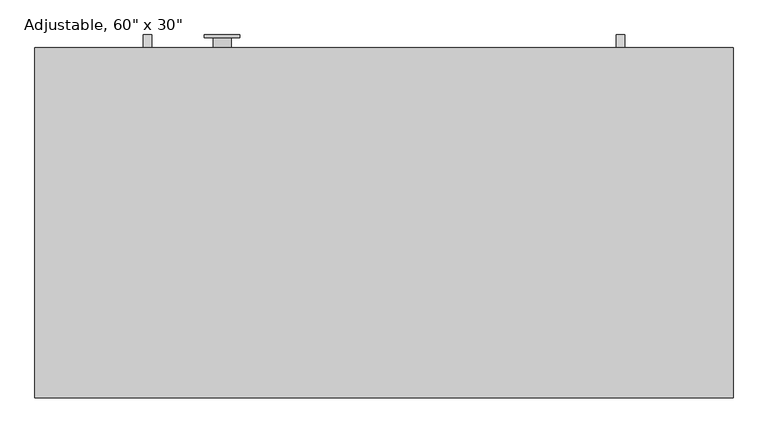
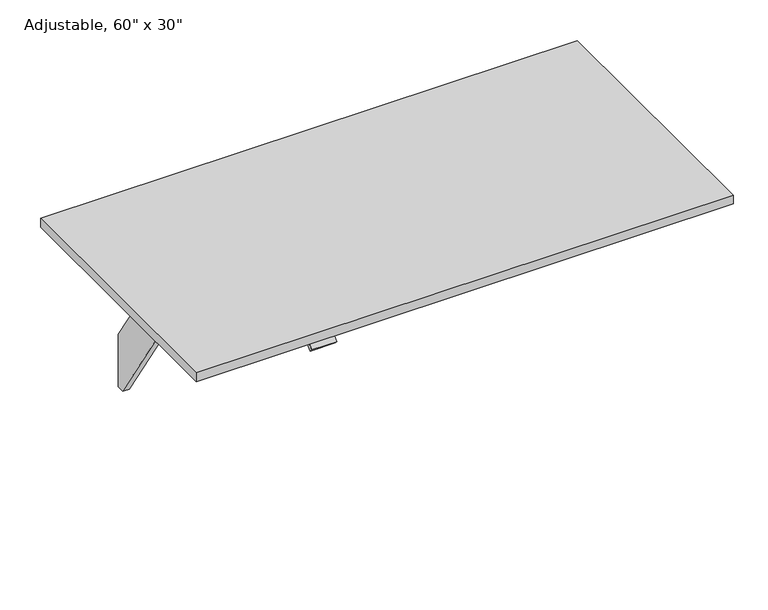
"""IFC4 building model written with IfcOpenShell, lengths in millimetres: furniture geometry."""

from ifc_helpers import new_model, si_unit, point, frame, frame_2d, origin, place, context, project, spatial, polyline, circle_curve, trimmed, segment, composite_curve, outline, extrude, source, transform, mapped, element, save
from ifc_brep_helpers import plane_surface, cylinder_surface, revolved_surface, advanced_brep


def furniture_abd386d2(model_context):
    return source(origin(), model_context, "Body", "SolidModel", [
        extrude(outline(polyline([(29.2199219, 153.5921541), (8.6276198, 153.5921541), (-345.3046137, 698.6), (-477.3090911, 698.6), (-485.7513898, 711.6), (-85.1019822, 711.6), (-93.5442809, 698.6), (-226.0682844, 698.6), (29.2199219, 305.4906355), (29.2199219, 153.5921541)])), frame((369.1244025, 0.0, 0.0), z_axis=(1.0, 0.0, 0.0), x_axis=(0.0, 1.0, 0.0)), (0.0, 0.0, 1.0), 18.0),
        extrude(outline(composite_curve([segment(polyline([(-733.1055966, 691.708916), (-717.7537239, 704.5906666)]), True, "CONTINUOUS"), segment(trimmed(circle_curve(frame_2d((-708.1119098, 693.1)), 15.0), [point((-717.7537239, 704.5906666))], [point((-708.1119098, 708.1))], False, "CARTESIAN"), True, "CONTINUOUS"), segment(polyline([(-708.1119098, 708.1), (-703.2331661, 708.1), (-703.2331661, 711.6), (-664.784231, 711.6), (-664.784231, 708.1), (-659.001686, 708.1), (-659.001686, 697.1), (-707.7479396, 697.1)]), True, "CONTINUOUS"), segment(trimmed(circle_curve(frame_2d((-707.7479396, 692.1)), 5.0), [point((-707.7479396, 697.1))], [point((-710.9618776, 695.9302222))], True, "CARTESIAN"), True, "CONTINUOUS"), segment(polyline([(-710.9618776, 695.9302222), (-726.0349329, 683.2824271), (-733.1055966, 691.708916)]), True, "CONTINUOUS")], self_intersect=False)), frame((-535.6329775, 0.0, 0.0), z_axis=(1.0, 0.0, 0.0), x_axis=(0.0, 1.0, 0.0)), (0.0, 0.0, 1.0), 68.58),
        advanced_brep(
        [(-439.7356275, -171.1428681, 364.5778173), (-439.7356275, -171.1428681, 711.6), (-439.7356275, -209.1312877, 711.6), (-439.7356275, -209.1312877, 700.4375), (-439.7356275, -193.3960503, 691.3527565), (-439.7356275, -190.4851047, 691.3527565), (-439.7356275, -190.4851047, 365.4712483), (-439.7356275, 18.612113, 365.4712483), (-439.7356275, 18.612113, 565.4962483), (-439.7356275, 23.285119, 565.4962483), (-439.7356275, 23.285119, 663.0278173), (-439.7356275, -0.6170974, 663.0278173), (-439.7356275, -0.6170974, 364.5778173), (-477.9356275, -171.1428681, 364.5778173), (-477.9356275, -0.6170974, 364.5778173), (-477.9356275, -0.6170974, 663.0278173), (-477.9356275, 23.285119, 663.0278173), (-477.9356275, 23.285119, 565.4962483), (-477.9356275, 18.612113, 565.4962483), (-477.9356275, 18.612113, 365.4712483), (-477.9356275, -190.4851047, 365.4712483), (-477.9356275, -190.4851047, 691.3527565), (-477.9356275, -193.3960503, 691.3527565), (-477.9356275, -209.1312877, 700.4375), (-477.9356275, -209.1312877, 711.6), (-477.9356275, -171.1428681, 711.6), (-496.4935537, 23.285119, 565.4962483), (-496.4935537, 29.2199219, 565.4962483), (-421.3564013, 29.2199219, 565.4962483), (-421.3564013, 23.285119, 565.4962483), (-496.4935537, 29.2199219, 678.865527), (-421.3564013, 29.2199219, 678.865527), (-496.4935537, 23.285119, 678.865527), (-421.3564013, 23.285119, 678.865527)],
        [
            (0, 1),
            (1, 2),
            (2, 3),
            (3, 4),
            (4, 5),
            (5, 6),
            (6, 7, circle_curve(frame((-439.7356275, -85.9364959, 365.4712483), z_axis=(1.0, 0.0, 0.0), x_axis=(0.0, 0.0, 1.0)), 104.5486088)),
            (7, 8),
            (8, 9),
            (9, 10),
            (10, 11),
            (11, 12),
            (12, 0, circle_curve(frame((-439.7356275, -85.8799828, 364.5778173), z_axis=(-1.0, 0.0, 0.0), x_axis=(0.0, 0.0, 1.0)), 85.2628854)),
            (13, 14, circle_curve(frame((-477.9356275, -85.8799828, 364.5778173), z_axis=(1.0, 0.0, 0.0), x_axis=(0.0, 0.0, 1.0)), 85.2628854)),
            (14, 15),
            (15, 16),
            (16, 17),
            (17, 18),
            (18, 19),
            (19, 20, circle_curve(frame((-477.9356275, -85.9364959, 365.4712483), z_axis=(-1.0, 0.0, 0.0), x_axis=(0.0, 0.0, 1.0)), 104.5486088)),
            (20, 21),
            (21, 22),
            (22, 23),
            (23, 24),
            (24, 25),
            (25, 13),
            (0, 13),
            (25, 1),
            (24, 2),
            (23, 3),
            (22, 4),
            (21, 5),
            (20, 6),
            (19, 7),
            (18, 8),
            (17, 26),
            (26, 27),
            (27, 28),
            (28, 29),
            (29, 9),
            (27, 30),
            (30, 31),
            (31, 28),
            (30, 32),
            (32, 33),
            (33, 31),
            (32, 26),
            (16, 10),
            (29, 33),
            (15, 11),
            (14, 12),
        ],
        [
            plane_surface(frame((-439.7356275, 29.2199219, 736.6), z_axis=(1.0, 0.0, 0.0), x_axis=(0.0, 1.0, 0.0))),
            plane_surface(frame((-477.9356275, 29.2199219, 736.6), z_axis=(-1.0, 0.0, 0.0), x_axis=(0.0, 1.0, 0.0))),
            plane_surface(frame((-439.7356275, -171.1428681, 364.5778173), z_axis=(0.0, 1.0, 0.0), x_axis=(-1.0, 0.0, 0.0))),
            plane_surface(frame((-439.7356275, -171.1428681, 711.6), z_axis=(0.0, 0.0, 1.0), x_axis=(-1.0, 0.0, 0.0))),
            plane_surface(frame((-439.7356275, -209.1312877, 711.6), z_axis=(0.0, -1.0, 0.0), x_axis=(-1.0, 0.0, 0.0))),
            plane_surface(frame((-439.7356275, -209.1312877, 700.4375), z_axis=(0.0, -0.4999999999999938, -0.8660254037844423), x_axis=(-1.0, 0.0, 0.0))),
            plane_surface(frame((-439.7356275, -193.3960503, 691.3527565), z_axis=(0.0, 0.0, -1.0), x_axis=(-1.0, 0.0, 0.0))),
            plane_surface(frame((-439.7356275, -190.4851047, 691.3527565), z_axis=(0.0, -1.0, 0.0), x_axis=(-1.0, 0.0, 0.0))),
            cylinder_surface(frame((-439.7356275, -85.9364959, 365.4712483), z_axis=(1.0, 0.0, 0.0), x_axis=(0.0, 0.0, 1.0)), 104.5486088),
            plane_surface(frame((-439.7356275, 18.612113, 365.4712483), z_axis=(0.0, 1.0, 0.0), x_axis=(-1.0, 0.0, 0.0))),
            plane_surface(frame((-439.7356275, 18.612113, 565.4962483), z_axis=(0.0, 0.0, -1.0), x_axis=(-1.0, 0.0, 0.0))),
            plane_surface(frame((-439.7356275, 29.2199219, 565.4962483), z_axis=(0.0, 1.0, 0.0), x_axis=(-1.0, 0.0, 0.0))),
            plane_surface(frame((-439.7356275, 29.2199219, 678.865527), z_axis=(0.0, 0.0, 1.0), x_axis=(-1.0, 0.0, 0.0))),
            plane_surface(frame((-439.7356275, 23.285119, 678.865527), z_axis=(0.0, -1.0, 0.0), x_axis=(-1.0, 0.0, 0.0))),
            plane_surface(frame((-439.7356275, 23.285119, 663.0278173), z_axis=(0.0, 0.0, 1.0), x_axis=(-1.0, 0.0, 0.0))),
            plane_surface(frame((-439.7356275, -0.6170974, 663.0278173), z_axis=(0.0, -1.0, 0.0), x_axis=(-1.0, 0.0, 0.0))),
            revolved_surface(polyline([(-477.9356275, -85.8799828, 449.8407027), (-439.7356275, -85.8799828, 449.8407027)]), (-439.7356275, -85.8799828, 364.5778173), (-1.0, 0.0, 0.0)),
            plane_surface(frame((-496.4935537, 29.2199219, 565.4962483), z_axis=(-1.0, 0.0, 0.0), x_axis=(0.0, -1.0, 0.0))),
            plane_surface(frame((-421.3564013, 29.2199219, 678.865527), z_axis=(1.0, 0.0, 0.0), x_axis=(0.0, -1.0, 0.0))),
        ],
        [
            (0, [[1, 2, 3, 4, 5, 6, 7, 8, 9, 10, 11, 12, 13]]),
            (1, [[14, 15, 16, 17, 18, 19, 20, 21, 22, 23, 24, 25, 26]]),
            (2, [[-1, 27, -26, 28]]),
            (3, [[-2, -28, -25, 29]]),
            (4, [[-3, -29, -24, 30]]),
            (5, [[-4, -30, -23, 31]]),
            (6, [[-5, -31, -22, 32]]),
            (7, [[-6, -32, -21, 33]]),
            (8, [[-7, -33, -20, 34]]),
            (9, [[-8, -34, -19, 35]]),
            (10, [[-35, -18, 36, 37, 38, 39, 40, -9]]),
            (11, [[-38, 41, 42, 43]]),
            (12, [[-42, 44, 45, 46]]),
            (13, [[-45, 47, -36, -17, 48, -10, -40, 49]]),
            (14, [[-11, -48, -16, 50]]),
            (15, [[-12, -50, -15, 51]]),
            (16, [[-13, -51, -14, -27]]),
            (17, [[-41, -37, -47, -44]]),
            (18, [[-43, -46, -49, -39]]),
        ],
    ),
        extrude(outline(polyline([(-212.0399277, 636.99764), (-222.7921538, 653.5546163), (-221.9144617, 654.4323085), (-209.8037968, 635.78352), (-304.5111146, 635.78352), (-348.0214234, 702.78352), (-365.36221, 702.78352), (-365.36221, 703.99764), (-347.36221, 703.99764), (-303.8519012, 636.99764), (-212.0399277, 636.99764)])), frame((-606.6429775, 0.0, 0.0), z_axis=(1.0, 0.0, 0.0), x_axis=(0.0, 1.0, 0.0)), (0.0, 0.0, 1.0), 975.76738),
        extrude(outline(polyline([(29.2199219, 153.5921541), (8.6276198, 153.5921541), (-345.3046137, 698.6), (-477.3090911, 698.6), (-485.7513898, 711.6), (-85.1019822, 711.6), (-93.5442809, 698.6), (-226.0682844, 698.6), (29.2199219, 305.4906355), (29.2199219, 153.5921541)])), frame((-624.6429775, 0.0, 0.0), z_axis=(1.0, 0.0, 0.0), x_axis=(0.0, 1.0, 0.0)), (0.0, 0.0, 1.0), 18.0),
        extrude(outline(polyline([(-852.1842875, -734.501686), (-852.1842875, 2.098314), (614.6657125, 2.098314), (614.6657125, -734.501686), (-852.1842875, -734.501686)])), frame((0.0, 0.0, 711.6), z_axis=(0.0, 0.0, 1.0), x_axis=(1.0, 0.0, 0.0)), (0.0, 0.0, 1.0), 25.0),
    ])


if __name__ == "__main__":
    model = new_model("IFC4")
    model_context = context("Model", 3, world=origin())
    ifc_project = project(units=[si_unit("LENGTHUNIT", "METRE", prefix="MILLI")], contexts=[model_context])
    site = spatial("IfcSite", under=ifc_project)
    building = spatial("IfcBuilding", under=site)
    placement = place(None, origin())
    furniture_shape = furniture_abd386d2(model_context)
    element("IfcFurniture", 1, ObjectType="Adjustable, 60\" x 30\"", at=placement, inside=building, context=model_context, shape_type="MappedRepresentation", body=[
        mapped(furniture_shape, transform((0.0, 0.0, 0.0), x_axis=(1.0, 0.0, 0.0), y_axis=(0.0, 1.0, 0.0), z_axis=(0.0, 0.0, 1.0))),
    ])
    save(model, "model.ifc")
